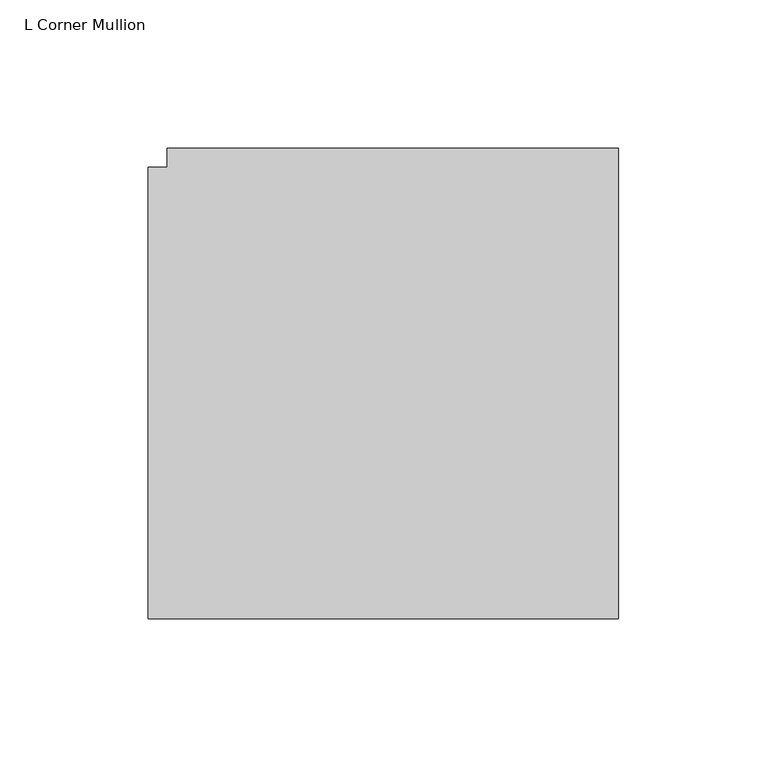
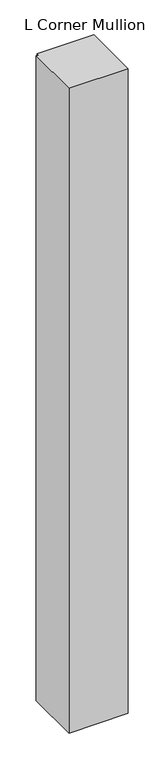
"""IFC4 building model written with IfcOpenShell, lengths in millimetres: member geometry, L Corner Mullion."""

from ifc_helpers import new_model, si_unit, frame, origin, place, context, project, spatial, polyline, outline, extrude, source, transform, mapped, element, save


def l_corner_mullion_075741b2(model_context):
    return source(origin(), model_context, "Body", "SweptSolid", [
        extrude(outline(polyline([(123.825, 34.925), (123.825, -123.825), (-34.925, -123.825), (-34.925, 28.575), (-28.575, 28.575), (-28.575, 34.925), (123.825, 34.925)])), frame((0.0, 0.0, -1828.8), z_axis=(0.0, 0.0, 1.0), x_axis=(1.0, 0.0, 0.0)), (0.0, 0.0, 1.0), 1828.8),
    ])


if __name__ == "__main__":
    model = new_model("IFC4")
    model_context = context("Model", 3, world=origin())
    ifc_project = project(units=[si_unit("LENGTHUNIT", "METRE", prefix="MILLI")], contexts=[model_context])
    site = spatial("IfcSite", under=ifc_project)
    building = spatial("IfcBuilding", under=site)
    placement = place(None, origin())
    l_corner_mullion_shape = l_corner_mullion_075741b2(model_context)
    element("IfcMember", 1, ObjectType="L Corner Mullion", at=placement, inside=building, context=model_context, shape_type="MappedRepresentation", body=[
        mapped(l_corner_mullion_shape, transform((0.0, 0.0, 0.0), x_axis=(1.0, 0.0, 0.0), y_axis=(0.0, 1.0, 0.0), z_axis=(0.0, 0.0, 1.0))),
    ])
    save(model, "model.ifc")
